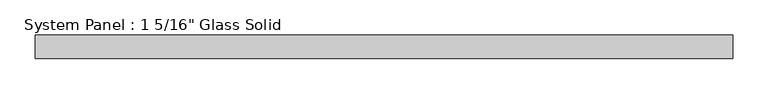
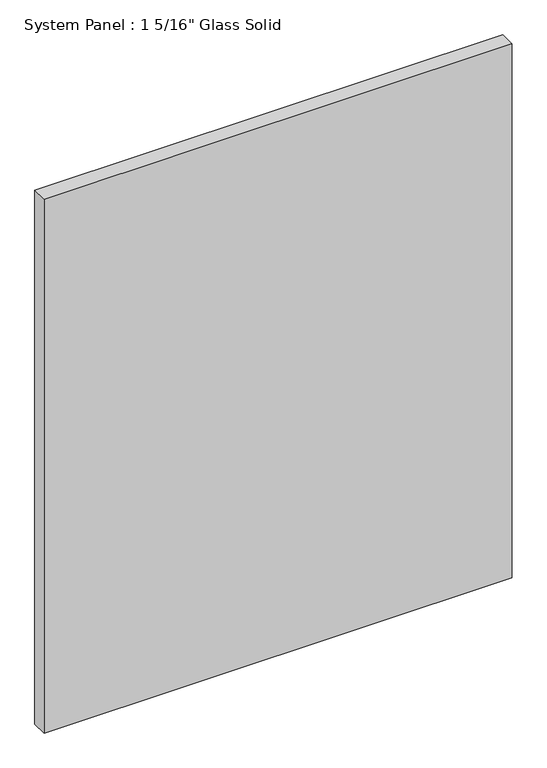
"""IFC4 building model written with IfcOpenShell, lengths in millimetres: plate geometry."""

import ifcopenshell
import ifcopenshell.guid

model = None  # the IFC model being written
_history = None  # IfcOwnerHistory: only IFC2X3 demands one
_inside = {}  # id of a spatial element -> (the spatial element, [elements in it])
_under = {}  # id of a project, library or spatial element -> (it, [spatial elements below it])
_declared = {}  # id of a project -> (the project, [libraries it declares])
_typed = {}  # id of a type object -> (the type object, [elements of that type])
_made_of = {}  # id of a material, layer set ... -> (it, [elements and type objects made of it])


def new_model(schema):
    """Start an empty IFC model of exactly this schema.

    Asked for "IFC4X3", IfcOpenShell would pick the latest addendum, in which some entities
    have other attributes; the version numbers below select the first issue.
    IFC2X3 requires an IfcOwnerHistory on every rooted entity: one is made here for all.
    """
    global model, _history
    if schema == "IFC4X3":
        model = ifcopenshell.file(schema_version=(4, 3, 0, 0))
    else:
        model = ifcopenshell.file(schema=schema)
    _inside.clear()
    _under.clear()
    _declared.clear()
    _typed.clear()
    _made_of.clear()
    _history = None
    if model.schema == "IFC2X3":
        org = make("IfcOrganization", Name="unknown")
        user = make(
            "IfcPersonAndOrganization",
            ThePerson=make("IfcPerson", FamilyName="unknown"),
            TheOrganization=org,
        )
        app = make(
            "IfcApplication",
            ApplicationDeveloper=org,
            Version="unknown",
            ApplicationFullName="unknown",
            ApplicationIdentifier="unknown",
        )
        _history = make(
            "IfcOwnerHistory",
            OwningUser=user,
            OwningApplication=app,
            ChangeAction="ADDED",
            CreationDate=0,
        )
    return model


def make(cls, **values):
    """One entity of the class cls with the attributes given. An attribute that is None is left unset."""
    return model.create_entity(
        cls, **{name: value for name, value in values.items() if value is not None}
    )


def rooted(cls, **values):
    """An entity with a GlobalId (a new one), such as an element, a storey or a relation."""
    return make(cls, GlobalId=ifcopenshell.guid.new(), OwnerHistory=_history, **values)


def si_unit(unit_type, name, prefix=None):
    """IfcSIUnit, for example si_unit("LENGTHUNIT", "METRE", prefix="MILLI")."""
    return make("IfcSIUnit", UnitType=unit_type, Prefix=prefix, Name=name)


def assignment(units):
    """IfcUnitAssignment: the units of a project."""
    return None if units is None else make("IfcUnitAssignment", Units=units)


def point(xyz):
    """IfcCartesianPoint."""
    return None if xyz is None else make("IfcCartesianPoint", Coordinates=xyz)


def direction(xyz):
    """IfcDirection."""
    return None if xyz is None else make("IfcDirection", DirectionRatios=xyz)


def frame(location, z_axis=None, x_axis=None):
    """IfcAxis2Placement3D, a coordinate frame: its origin and axes. An axis left out is left unset."""
    return make(
        "IfcAxis2Placement3D",
        Location=point(location),
        Axis=direction(z_axis),
        RefDirection=direction(x_axis),
    )


def origin():
    """The frame at (0, 0, 0) with its axes left unset."""
    return frame((0.0, 0.0, 0.0))


def origin_with_axes():
    """The frame at (0, 0, 0) with the z axis (0, 0, 1) and the x axis (1, 0, 0) written out."""
    return frame((0.0, 0.0, 0.0), z_axis=(0.0, 0.0, 1.0), x_axis=(1.0, 0.0, 0.0))


def place(relative_to, where):
    """IfcLocalPlacement: puts the frame where relative to a parent placement (None: the world)."""
    return make(
        "IfcLocalPlacement", PlacementRelTo=relative_to, RelativePlacement=where
    )


def context(
    kind, dimensions, precision=None, world=None, true_north=None, identifier=None
):
    """IfcGeometricRepresentationContext, for example the 3D "Model" context."""
    return make(
        "IfcGeometricRepresentationContext",
        ContextIdentifier=identifier,
        ContextType=kind,
        CoordinateSpaceDimension=dimensions,
        Precision=precision,
        WorldCoordinateSystem=world,
        TrueNorth=true_north,
    )


def project(units=None, contexts=None):
    """IfcProject with its units and contexts."""
    return rooted(
        "IfcProject",
        Name="project",
        RepresentationContexts=contexts,
        UnitsInContext=assignment(units),
    )


def spatial(cls, under=None, at=None, **own):
    """A site, building, storey or space (cls), placed at a placement, below another one or the project."""
    s = rooted(cls, ObjectPlacement=at, **own)
    if under is not None:
        _under.setdefault(under.id(), (under, []))[1].append(s)
    return s


def polyline(points):
    """IfcPolyline through the points."""
    return make("IfcPolyline", Points=[point(p) for p in points])


def outline(outer, holes=None, kind="AREA"):
    """IfcArbitraryClosedProfileDef: a profile drawn as a closed curve; with holes, ...WithVoids."""
    if holes is None:
        return make("IfcArbitraryClosedProfileDef", ProfileType=kind, OuterCurve=outer)
    return make(
        "IfcArbitraryProfileDefWithVoids",
        ProfileType=kind,
        OuterCurve=outer,
        InnerCurves=holes,
    )


def extrude(swept, where, along, depth):
    """IfcExtrudedAreaSolid: the profile swept, set in the frame where, extruded along a direction by depth."""
    return make(
        "IfcExtrudedAreaSolid",
        SweptArea=swept,
        Position=where,
        ExtrudedDirection=direction(along),
        Depth=depth,
    )


def shape(context_of_items, identifier, shape_type, items):
    """IfcShapeRepresentation: the items that make up one representation, for example the "Body"."""
    return make(
        "IfcShapeRepresentation",
        ContextOfItems=context_of_items,
        RepresentationIdentifier=identifier,
        RepresentationType=shape_type,
        Items=items,
    )


def source(mapping_origin, context_of_items, identifier, shape_type, items):
    """IfcRepresentationMap: a shape defined once, which mapped items show again and again."""
    return make(
        "IfcRepresentationMap",
        MappingOrigin=mapping_origin,
        MappedRepresentation=shape(context_of_items, identifier, shape_type, items),
    )


def transform(
    local_origin,
    x_axis=None,
    y_axis=None,
    z_axis=None,
    scale=None,
    scale2=None,
    scale3=None,
    uniform=True,
):
    """IfcCartesianTransformationOperator3D, or its non-uniform kind. x_axis, y_axis, z_axis: its Axis1, 2, 3."""
    if uniform:
        return make(
            "IfcCartesianTransformationOperator3D",
            Axis1=direction(x_axis),
            Axis2=direction(y_axis),
            LocalOrigin=point(local_origin),
            Scale=scale,
            Axis3=direction(z_axis),
        )
    return make(
        "IfcCartesianTransformationOperator3DnonUniform",
        Axis1=direction(x_axis),
        Axis2=direction(y_axis),
        LocalOrigin=point(local_origin),
        Scale=scale,
        Axis3=direction(z_axis),
        Scale2=scale2,
        Scale3=scale3,
    )


def mapped(mapping_source, mapping_target):
    """IfcMappedItem: shows the shape of a source again, moved by a transform."""
    return make(
        "IfcMappedItem", MappingSource=mapping_source, MappingTarget=mapping_target
    )


def made_of(thing, what):
    """Note that an element or type object is made of a material, layer set ...; save() writes the relation."""
    if what is not None:
        _made_of.setdefault(what.id(), (what, []))[1].append(thing)
    return thing


def element(
    cls,
    number,
    at=None,
    inside=None,
    cuts=None,
    type_object=None,
    material=None,
    context=None,
    identifier="Body",
    shape_type=None,
    held_by="IfcProductDefinitionShape",
    body=None,
    shapes=None,
    **own,
):
    """One element of the class cls, such as IfcWall. Its Tag is "e" and its number.

    at: its placement. inside: the storey or other place that contains it. cuts: it is an
    opening in that element (IfcRelVoidsElement). A single representation is given by context,
    identifier, shape_type and body (its items); several are given by shapes. held_by: the class
    of the entity that holds the representations. save() writes the other relations.
    """
    e = rooted(cls, Tag="e%d" % number, ObjectPlacement=at, **own)
    if body is not None:
        shapes = [shape(context, identifier, shape_type, body)]
    if shapes is not None:
        e.Representation = make(held_by, Representations=shapes)
    if inside is not None:
        _inside.setdefault(inside.id(), (inside, []))[1].append(e)
    if cuts is not None:
        rooted(
            "IfcRelVoidsElement", RelatingBuildingElement=cuts, RelatedOpeningElement=e
        )
    if type_object is not None:
        _typed.setdefault(type_object.id(), (type_object, []))[1].append(e)
    return made_of(e, material)


def aggregate(whole, parts):
    """IfcRelAggregates: a whole, such as a stair, and the parts it consists of."""
    return rooted("IfcRelAggregates", RelatingObject=whole, RelatedObjects=parts)


def save(model, path):
    """Write the relations noted so far, then the file.

    IfcRelAggregates (storeys below a building ...), IfcRelContainedInSpatialStructure (elements
    in a storey), IfcRelDefinesByType, IfcRelAssociatesMaterial and IfcRelDeclares: one each for
    every whole, place, type object, material and project.
    """
    for whole, parts in _under.values():
        aggregate(whole, parts)
    for where, things in _inside.values():
        rooted(
            "IfcRelContainedInSpatialStructure",
            RelatedElements=things,
            RelatingStructure=where,
        )
    for kind, things in _typed.values():
        rooted("IfcRelDefinesByType", RelatedObjects=things, RelatingType=kind)
    for what, things in _made_of.values():
        rooted("IfcRelAssociatesMaterial", RelatedObjects=things, RelatingMaterial=what)
    for by, libraries in _declared.values():
        rooted("IfcRelDeclares", RelatingContext=by, RelatedDefinitions=libraries)
    model.write(path)


def plate_6d718325(model_context):
    return source(origin(), model_context, "Body", "SweptSolid", [
        extrude(outline(polyline([(495.3, -16.66875), (-495.3, -16.66875), (-495.3, 16.66875), (495.3, 16.66875), (495.3, -16.66875)])), origin_with_axes(), (0.0, 0.0, 1.0), 1193.8017704),
    ])


if __name__ == "__main__":
    model = new_model("IFC4")
    model_context = context("Model", 3, world=origin())
    ifc_project = project(units=[si_unit("LENGTHUNIT", "METRE", prefix="MILLI")], contexts=[model_context])
    site = spatial("IfcSite", under=ifc_project)
    building = spatial("IfcBuilding", under=site)
    placement = place(None, origin())
    plate_shape = plate_6d718325(model_context)
    element("IfcPlate", 1, ObjectType="System Panel : 1 5/16\" Glass Solid", at=placement, inside=building, context=model_context, shape_type="MappedRepresentation", body=[
        mapped(plate_shape, transform((0.0, 0.0, 0.0), x_axis=(1.0, 0.0, 0.0), y_axis=(0.0, 1.0, 0.0), z_axis=(0.0, 0.0, 1.0))),
    ])
    save(model, "model.ifc")
